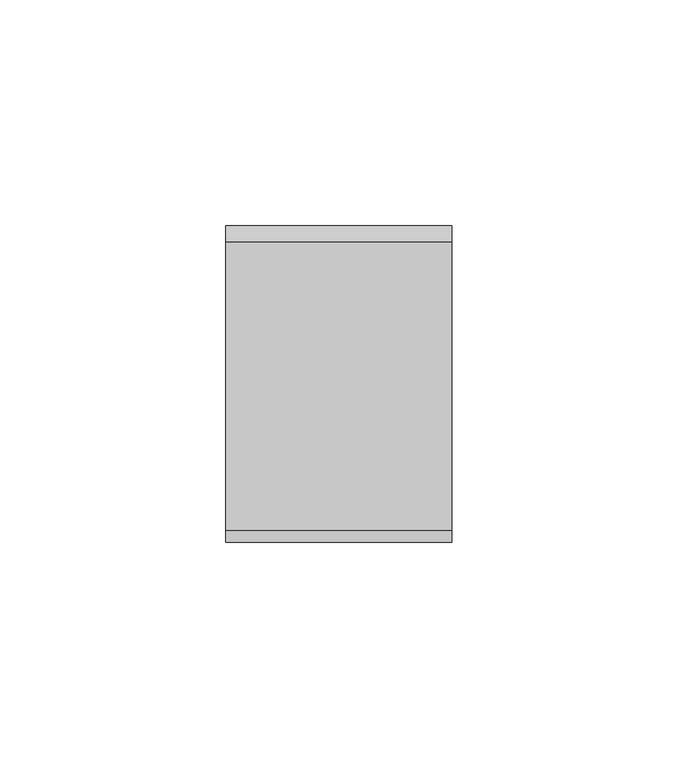
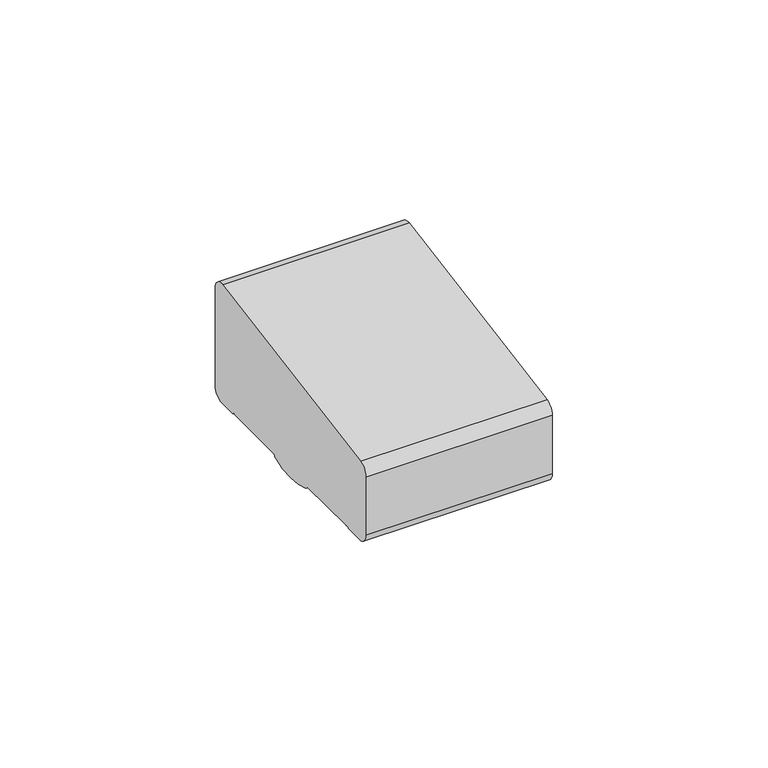
"""IFC4 building model written with IfcOpenShell, lengths in millimetres: railing geometry."""

from ifc_helpers import new_model, si_unit, frame, origin, place, context, project, spatial, circle_curve, source, transform, mapped, element, save
from ifc_brep_helpers import plane_surface, cylinder_surface, advanced_brep


def railing_ae262285(model_context):
    return source(origin(), model_context, "Body", "AdvancedBrep", [
        advanced_brep(
        [(3731.3946925, 10337.338553, 1199.9544233), (3731.3946925, 10273.338553, 1188.6694965), (3731.3946925, 10270.8594975, 1185.7150732), (3731.3946925, 10270.8594975, 1169.2), (3731.3946925, 10273.8594975, 1166.2), (3731.3946925, 10278.6766494, 1166.2), (3731.3946925, 10279.6055852, 1166.9000033), (3731.3946925, 10280.1055852, 1166.4000003), (3731.3946925, 10298.2660875, 1166.4000003), (3731.3946925, 10298.859963, 1165.6114192), (3731.3946925, 10312.8396379, 1165.6106384), (3731.3946925, 10313.4355206, 1166.4000003), (3731.3946925, 10331.5455028, 1166.4000003), (3731.3946925, 10332.1185784, 1166.9730759), (3731.3946925, 10333.0095836, 1166.2), (3731.3946925, 10337.8594975, 1166.2), (3731.3946925, 10340.8594975, 1169.2), (3731.3946925, 10340.8594975, 1197.0), (3681.3946925, 10337.338553, 1199.9544233), (3681.3946925, 10340.8594975, 1197.0), (3681.3946925, 10340.8594975, 1169.2), (3681.3946925, 10337.8594975, 1166.2), (3681.3946925, 10333.0095836, 1166.2), (3681.3946925, 10332.1185784, 1166.9730759), (3681.3946925, 10331.5455028, 1166.4000003), (3681.3946925, 10313.4355206, 1166.4000003), (3681.3946925, 10312.8430669, 1165.6114192), (3681.3946925, 10298.8599685, 1165.6114328), (3681.3946925, 10298.2660875, 1166.4000003), (3681.3946925, 10280.1055852, 1166.4000003), (3681.3946925, 10279.6055852, 1166.9000033), (3681.3946925, 10278.6766494, 1166.2), (3681.3946925, 10273.8594975, 1166.2), (3681.3946925, 10270.8594975, 1169.2), (3681.3946925, 10270.8594975, 1185.7150732), (3681.3946925, 10273.338553, 1188.6694965)],
        [
            (0, 1),
            (1, 2, circle_curve(frame((3731.3946925, 10273.8594975, 1185.7150732), z_axis=(1.0, 0.0, 0.0), x_axis=(0.0, -1.0, 0.0)), 3.0)),
            (2, 3),
            (3, 4, circle_curve(frame((3731.3946925, 10273.8594975, 1169.2), z_axis=(1.0, 0.0, 0.0), x_axis=(0.0, 0.0, -1.0)), 3.0)),
            (4, 5),
            (5, 6, circle_curve(frame((3731.3946925, 10278.6943877, 1167.1428319), z_axis=(1.0, 0.0, 0.0), x_axis=(0.0, 1.0, 0.0)), 0.9429987)),
            (6, 7, circle_curve(frame((3731.3946925, 10280.1055852, 1166.9000003), z_axis=(1.0, 0.0, 0.0), x_axis=(0.0, 0.0, -1.0)), 0.5)),
            (7, 8),
            (8, 9, circle_curve(frame((3731.3946925, 10299.2114065, 1166.4940192), z_axis=(1.0, 0.0, 0.0), x_axis=(0.0, -1.0, 0.0)), 0.9499829)),
            (9, 10, circle_curve(frame((3731.3946925, 10305.851515, 1183.2818957), z_axis=(1.0, 0.0, 0.0), x_axis=(0.0, 1.0, 0.0)), 19.003356)),
            (10, 11, circle_curve(frame((3731.3946925, 10312.4902016, 1166.4940192), z_axis=(1.0, 0.0, 0.0), x_axis=(0.0, 1.0, 0.0)), 0.9499829)),
            (11, 12),
            (12, 13, circle_curve(frame((3731.3946925, 10331.5455028, 1166.9730759), z_axis=(1.0, 0.0, 0.0), x_axis=(0.0, 1.0, 0.0)), 0.5730756)),
            (13, 14, circle_curve(frame((3731.3946925, 10333.0095836, 1167.1), z_axis=(1.0, 0.0, 0.0), x_axis=(0.0, 0.0, -1.0)), 0.9)),
            (14, 15),
            (15, 16, circle_curve(frame((3731.3946925, 10337.8594975, 1169.2), z_axis=(1.0, 0.0, 0.0), x_axis=(0.0, 1.0, 0.0)), 3.0)),
            (16, 17),
            (17, 0, circle_curve(frame((3731.3946925, 10337.8594975, 1197.0), z_axis=(1.0, 0.0, 0.0), x_axis=(0.0, -0.1736481776670499, 0.984807753012187)), 3.0)),
            (18, 19, circle_curve(frame((3681.3946925, 10337.8594975, 1197.0), z_axis=(-1.0, 0.0, 0.0), x_axis=(0.0, -0.1736481776670499, 0.984807753012187)), 3.0)),
            (19, 20),
            (20, 21, circle_curve(frame((3681.3946925, 10337.8594975, 1169.2), z_axis=(-1.0, 0.0, 0.0), x_axis=(0.0, 1.0, 0.0)), 3.0)),
            (21, 22),
            (22, 23, circle_curve(frame((3681.3946925, 10333.0095836, 1167.1), z_axis=(-1.0, 0.0, 0.0), x_axis=(0.0, 0.0, -1.0)), 0.9)),
            (23, 24, circle_curve(frame((3681.3946925, 10331.5455028, 1166.9730759), z_axis=(-1.0, 0.0, 0.0), x_axis=(0.0, 1.0, 0.0)), 0.5730756)),
            (24, 25),
            (25, 26, circle_curve(frame((3681.3946925, 10312.4902016, 1166.4940192), z_axis=(-1.0, 0.0, 0.0), x_axis=(0.0, 1.0, 0.0)), 0.9499829)),
            (26, 27, circle_curve(frame((3681.3946925, 10305.851515, 1183.2818957), z_axis=(-1.0, 0.0, 0.0), x_axis=(0.0, 1.0, 0.0)), 19.003356)),
            (27, 28, circle_curve(frame((3681.3946925, 10299.2114065, 1166.4940192), z_axis=(-1.0, 0.0, 0.0), x_axis=(0.0, -1.0, 0.0)), 0.9499829)),
            (28, 29),
            (29, 30, circle_curve(frame((3681.3946925, 10280.1055852, 1166.9000003), z_axis=(-1.0, 0.0, 0.0), x_axis=(0.0, 0.0, -1.0)), 0.5)),
            (30, 31, circle_curve(frame((3681.3946925, 10278.6943877, 1167.1428319), z_axis=(-1.0, 0.0, 0.0), x_axis=(0.0, 1.0, 0.0)), 0.9429987)),
            (31, 32),
            (32, 33, circle_curve(frame((3681.3946925, 10273.8594975, 1169.2), z_axis=(-1.0, 0.0, 0.0), x_axis=(0.0, 0.0, -1.0)), 3.0)),
            (33, 34),
            (34, 35, circle_curve(frame((3681.3946925, 10273.8594975, 1185.7150732), z_axis=(-1.0, 0.0, 0.0), x_axis=(0.0, -1.0, 0.0)), 3.0)),
            (35, 18),
            (17, 19),
            (18, 0),
            (16, 20),
            (15, 21),
            (14, 22),
            (13, 23),
            (12, 24),
            (11, 25),
            (10, 26),
            (9, 27),
            (8, 28),
            (7, 29),
            (6, 30),
            (5, 31),
            (4, 32),
            (3, 33),
            (2, 34),
            (1, 35),
        ],
        [
            plane_surface(frame((3731.3946925, 10305.8508041, 1168.2356773), z_axis=(1.0, 0.0, 0.0), x_axis=(0.0, -1.0, 0.0))),
            plane_surface(frame((3681.3946925, 10305.8508041, 1168.2356773), z_axis=(-1.0, 0.0, 0.0), x_axis=(0.0, -1.0, 0.0))),
            cylinder_surface(frame((3731.3946925, 10337.8594975, 1197.0), z_axis=(1.0000000000000002, 0.0, 0.0), x_axis=(0.0, -0.1736481776670499, 0.984807753012187)), 3.0),
            plane_surface(frame((3731.3946925, 10340.8594975, 1197.0), z_axis=(0.0, 1.0, 0.0), x_axis=(-1.0, 0.0, 0.0))),
            cylinder_surface(frame((3731.3946925, 10337.8594975, 1169.2), z_axis=(1.0, 0.0, 0.0), x_axis=(0.0, 1.0, 0.0)), 3.0),
            plane_surface(frame((3731.3946925, 10337.8594975, 1166.2), z_axis=(0.0, 0.0, -1.0), x_axis=(-1.0, 0.0, 0.0))),
            cylinder_surface(frame((3731.3946925, 10333.0095836, 1167.1), z_axis=(1.0, 0.0, 0.0), x_axis=(0.0, 0.0, -1.0)), 0.9),
            cylinder_surface(frame((3731.3946925, 10331.5455028, 1166.9730759), z_axis=(1.0, 0.0, 0.0), x_axis=(0.0, 1.0, 0.0)), 0.5730756),
            plane_surface(frame((3731.3946925, 10331.5455028, 1166.4000003), z_axis=(0.0, 0.0, -1.0), x_axis=(-1.0, 0.0, 0.0))),
            cylinder_surface(frame((3731.3946925, 10312.4902016, 1166.4940192), z_axis=(1.0, 0.0, 0.0), x_axis=(0.0, 1.0, 0.0)), 0.9499829),
            cylinder_surface(frame((3731.3946925, 10305.851515, 1183.2818957), z_axis=(1.0, 0.0, 0.0), x_axis=(0.0, 1.0, 0.0)), 19.003356),
            cylinder_surface(frame((3731.3946925, 10299.2114065, 1166.4940192), z_axis=(1.0, 0.0, 0.0), x_axis=(0.0, -1.0, 0.0)), 0.9499829),
            plane_surface(frame((3731.3946925, 10298.2660875, 1166.4000003), z_axis=(0.0, 0.0, -1.0), x_axis=(-1.0, 0.0, 0.0))),
            cylinder_surface(frame((3731.3946925, 10280.1055852, 1166.9000003), z_axis=(1.0, 0.0, 0.0), x_axis=(0.0, 0.0, -1.0)), 0.5),
            cylinder_surface(frame((3731.3946925, 10278.6943877, 1167.1428319), z_axis=(1.0, 0.0, 0.0), x_axis=(0.0, 1.0, 0.0)), 0.9429987),
            plane_surface(frame((3731.3946925, 10278.6766494, 1166.2), z_axis=(0.0, 0.0, -1.0), x_axis=(-1.0, 0.0, 0.0))),
            cylinder_surface(frame((3731.3946925, 10273.8594975, 1169.2), z_axis=(1.0, 0.0, 0.0), x_axis=(0.0, 0.0, -1.0)), 3.0),
            plane_surface(frame((3731.3946925, 10270.8594975, 1169.2), z_axis=(0.0, -1.0, 0.0), x_axis=(-1.0, 0.0, 0.0))),
            cylinder_surface(frame((3731.3946925, 10273.8594975, 1185.7150732), z_axis=(1.0, 0.0, 0.0), x_axis=(0.0, -1.0, 0.0)), 3.0),
            plane_surface(frame((3731.3946925, 10273.338553, 1188.6694965), z_axis=(0.0, -0.17364817766695742, 0.9848077530122034), x_axis=(-1.0, 0.0, 0.0))),
        ],
        [
            (0, [[1, 2, 3, 4, 5, 6, 7, 8, 9, 10, 11, 12, 13, 14, 15, 16, 17, 18]]),
            (1, [[19, 20, 21, 22, 23, 24, 25, 26, 27, 28, 29, 30, 31, 32, 33, 34, 35, 36]]),
            (2, [[37, -19, 38, -18]]),
            (3, [[39, -20, -37, -17]]),
            (4, [[40, -21, -39, -16]]),
            (5, [[41, -22, -40, -15]]),
            (6, [[42, -23, -41, -14]]),
            (7, [[43, -24, -42, -13]]),
            (8, [[44, -25, -43, -12]]),
            (9, [[45, -26, -44, -11]]),
            (10, [[46, -27, -45, -10]]),
            (11, [[47, -28, -46, -9]]),
            (12, [[48, -29, -47, -8]]),
            (13, [[49, -30, -48, -7]]),
            (14, [[50, -31, -49, -6]]),
            (15, [[51, -32, -50, -5]]),
            (16, [[52, -33, -51, -4]]),
            (17, [[53, -34, -52, -3]]),
            (18, [[54, -35, -53, -2]]),
            (19, [[-38, -36, -54, -1]]),
        ],
    ),
    ])


if __name__ == "__main__":
    model = new_model("IFC4")
    model_context = context("Model", 3, world=origin())
    ifc_project = project(units=[si_unit("LENGTHUNIT", "METRE", prefix="MILLI")], contexts=[model_context])
    site = spatial("IfcSite", under=ifc_project)
    building = spatial("IfcBuilding", under=site)
    placement = place(None, origin())
    railing_shape = railing_ae262285(model_context)
    element("IfcRailing", 1, at=placement, inside=building, context=model_context, shape_type="MappedRepresentation", body=[
        mapped(railing_shape, transform((0.0, 0.0, 0.0), x_axis=(1.0, 0.0, 0.0), y_axis=(0.0, 1.0, 0.0), z_axis=(0.0, 0.0, 1.0))),
    ])
    save(model, "model.ifc")
